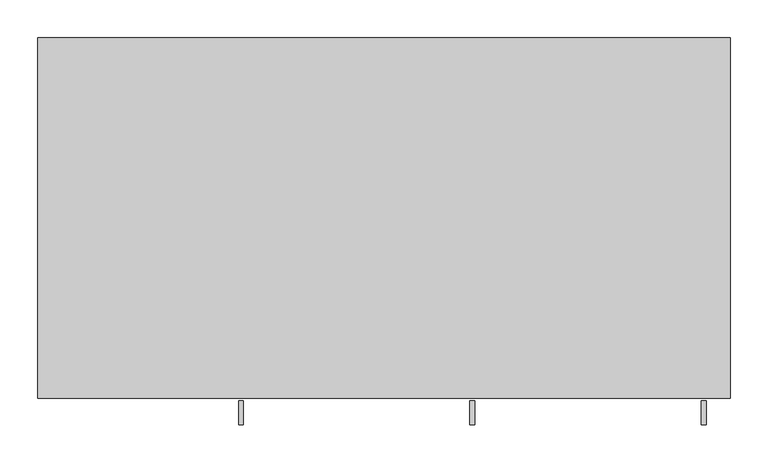
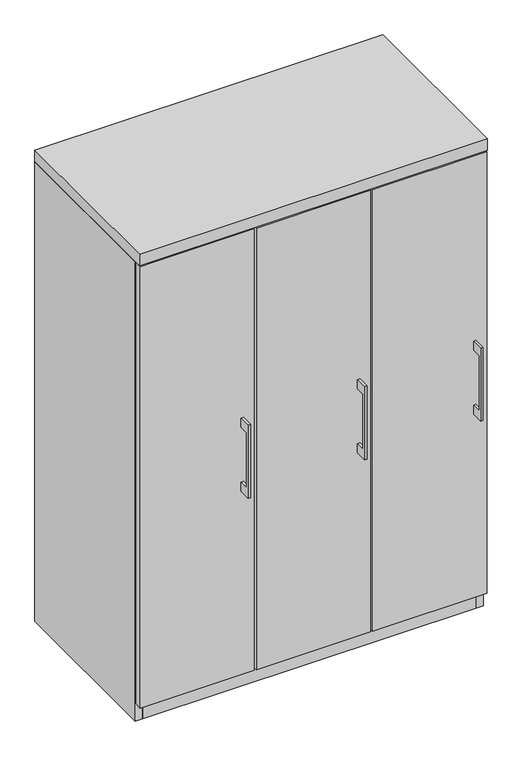
"""IFC4 building model written with IfcOpenShell, lengths in millimetres: furniture geometry."""

from ifc_helpers import new_model, si_unit, frame, origin, origin_with_axes, place, context, project, spatial, polyline, outline, extrude, source, transform, mapped, element, save


def furniture_b26db043(model_context):
    return source(origin(), model_context, "Body", "SweptSolid", [
        extrude(outline(polyline([(-479.425, 736.6), (-504.8249758, 736.6), (-504.8249758, 584.2), (-479.425, 584.2), (-479.425, 558.8), (-511.1749879, 558.8), (-511.1749879, 762.0), (-479.425, 762.0), (-479.425, 736.6)])), frame((113.5062621, 0.0, 0.0), z_axis=(1.0, 0.0, 0.0), x_axis=(0.0, 1.0, 0.0)), (0.0, 0.0, 1.0), 6.3499758),
        extrude(outline(polyline([(150.01875, -476.25), (-150.01875, -476.25), (-150.01875, -457.2), (150.01875, -457.2), (150.01875, -476.25)])), frame((0.0, 0.0, 47.625), z_axis=(0.0, 0.0, 1.0), x_axis=(1.0, 0.0, 0.0)), (0.0, 0.0, 1.0), 1225.55),
        extrude(outline(polyline([(-479.425, 736.6), (-504.8249758, 736.6), (-504.8249758, 584.2), (-479.425, 584.2), (-479.425, 558.8), (-511.1749879, 558.8), (-511.1749879, 762.0), (-479.425, 762.0), (-479.425, 736.6)])), frame((419.1000121, 0.0, 0.0), z_axis=(1.0, 0.0, 0.0), x_axis=(0.0, 1.0, 0.0)), (0.0, 0.0, 1.0), 6.3499758),
        extrude(outline(polyline([(455.6125, -476.25), (155.575, -476.25), (155.575, -457.2), (455.6125, -457.2), (455.6125, -476.25)])), frame((0.0, 0.0, 47.625), z_axis=(0.0, 0.0, 1.0), x_axis=(1.0, 0.0, 0.0)), (0.0, 0.0, 1.0), 1225.55),
        extrude(outline(polyline([(-479.425, 736.6), (-504.8249758, 736.6), (-504.8249758, 584.2), (-479.425, 584.2), (-479.425, 558.8), (-511.1749879, 558.8), (-511.1749879, 762.0), (-479.425, 762.0), (-479.425, 736.6)])), frame((-192.0874879, 0.0, 0.0), z_axis=(1.0, 0.0, 0.0), x_axis=(0.0, 1.0, 0.0)), (0.0, 0.0, 1.0), 6.3499758),
        extrude(outline(polyline([(-155.575, -476.25), (-455.6125, -476.25), (-455.6125, -457.2), (-155.575, -457.2), (-155.575, -476.25)])), frame((0.0, 0.0, 47.625), z_axis=(0.0, 0.0, 1.0), x_axis=(1.0, 0.0, 0.0)), (0.0, 0.0, 1.0), 1225.55),
        extrude(outline(polyline([(-136.525, -19.05), (-136.525, -457.2), (-155.575, -457.2), (-155.575, -19.05), (-136.525, -19.05)])), frame((0.0, 0.0, 47.625), z_axis=(0.0, 0.0, 1.0), x_axis=(1.0, 0.0, 0.0)), (0.0, 0.0, 1.0), 1228.725),
        extrude(outline(polyline([(155.575, -19.05), (155.575, -457.2), (136.525, -457.2), (136.525, -19.05), (155.575, -19.05)])), frame((0.0, 0.0, 47.625), z_axis=(0.0, 0.0, 1.0), x_axis=(1.0, 0.0, 0.0)), (0.0, 0.0, 1.0), 1228.725),
        extrude(outline(polyline([(438.15, -19.05), (438.15, -457.2), (-438.15, -457.2), (-438.15, -19.05), (438.15, -19.05)])), origin_with_axes(), (0.0, 0.0, 1.0), 47.625),
        extrude(outline(polyline([(457.2, 0.0), (457.2, -476.25), (-457.2, -476.25), (-457.2, 0.0), (457.2, 0.0)])), frame((0.0, 0.0, 1276.35), z_axis=(0.0, 0.0, 1.0), x_axis=(1.0, 0.0, 0.0)), (0.0, 0.0, 1.0), 31.75),
        extrude(outline(polyline([(457.2, 0.0), (457.2, -457.2), (438.15, -457.2), (438.15, -19.05), (-438.15, -19.05), (-438.15, -457.2), (-457.2, -457.2), (-457.2, 0.0), (457.2, 0.0)])), origin_with_axes(), (0.0, 0.0, 1.0), 1276.35),
    ])


if __name__ == "__main__":
    model = new_model("IFC4")
    model_context = context("Model", 3, world=origin())
    ifc_project = project(units=[si_unit("LENGTHUNIT", "METRE", prefix="MILLI")], contexts=[model_context])
    site = spatial("IfcSite", under=ifc_project)
    building = spatial("IfcBuilding", under=site)
    placement = place(None, origin())
    furniture_shape = furniture_b26db043(model_context)
    element("IfcFurniture", 1, at=placement, inside=building, context=model_context, shape_type="MappedRepresentation", body=[
        mapped(furniture_shape, transform((0.0, 0.0, 0.0), x_axis=(1.0, 0.0, 0.0), y_axis=(0.0, 1.0, 0.0), z_axis=(0.0, 0.0, 1.0))),
    ])
    save(model, "model.ifc")
